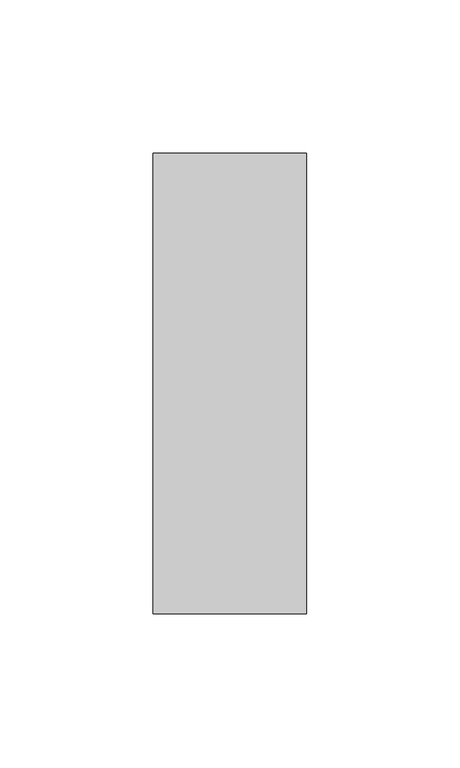
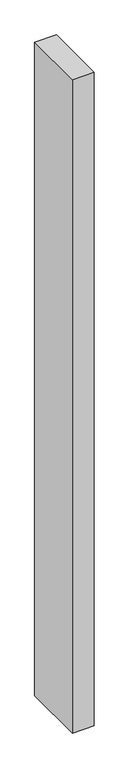
"""IFC4 building model written with IfcOpenShell, lengths in millimetres: member geometry."""

from ifc_helpers import new_model, si_unit, frame, origin, place, context, project, spatial, polyline, outline, extrude, source, transform, mapped, element, save


def member_5e049f15(model_context):
    return source(origin(), model_context, "Body", "SweptSolid", [
        extrude(outline(polyline([(25.0, 75.0), (25.0, -75.0), (-25.0, -75.0), (-25.0, 75.0), (25.0, 75.0)])), frame((0.0, 0.0, -1588.6336859), z_axis=(0.0, 0.0, 1.0), x_axis=(1.0, 0.0, 0.0)), (0.0, 0.0, 1.0), 1588.6336859),
    ])


if __name__ == "__main__":
    model = new_model("IFC4")
    model_context = context("Model", 3, world=origin())
    ifc_project = project(units=[si_unit("LENGTHUNIT", "METRE", prefix="MILLI")], contexts=[model_context])
    site = spatial("IfcSite", under=ifc_project)
    building = spatial("IfcBuilding", under=site)
    placement = place(None, origin())
    member_shape = member_5e049f15(model_context)
    element("IfcMember", 1, at=placement, inside=building, context=model_context, shape_type="MappedRepresentation", body=[
        mapped(member_shape, transform((0.0, 0.0, 0.0), x_axis=(1.0, 0.0, 0.0), y_axis=(0.0, 1.0, 0.0), z_axis=(0.0, 0.0, 1.0))),
    ])
    save(model, "model.ifc")
